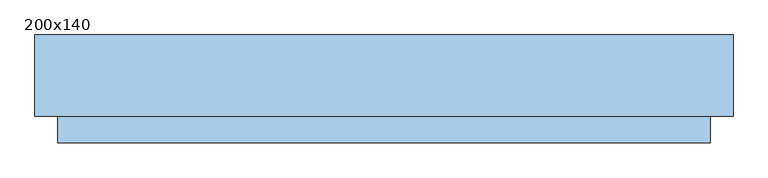
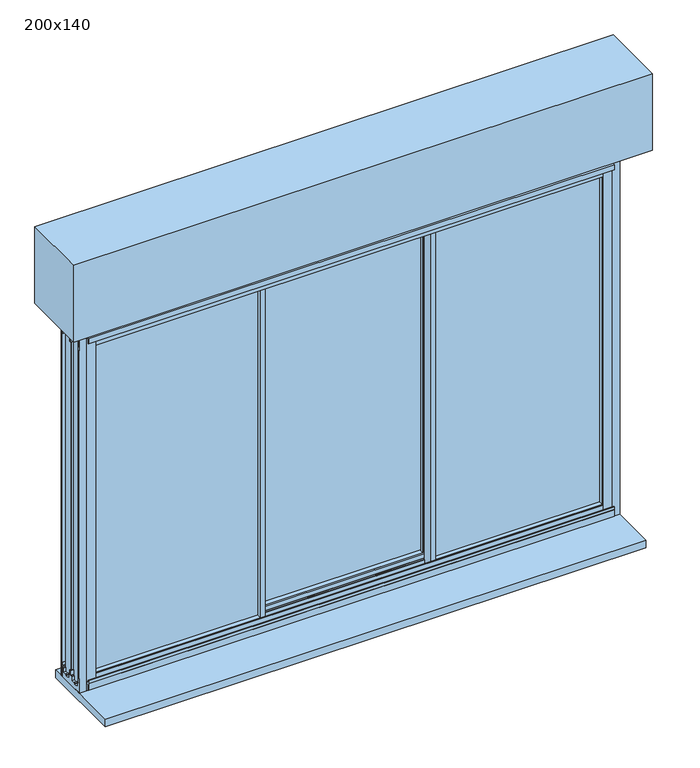
"""IFC4 building model written with IfcOpenShell, lengths in millimetres: window geometry, 200x140."""

from ifc_helpers import new_model, si_unit, frame, origin, place, context, project, spatial, polyline, outline, extrude, faceted_brep, source, transform, mapped, element, save


def window_200x140_58ab2d7b(model_context):
    return source(origin(), model_context, "Body", "SolidModel", [
        extrude(outline(polyline([(1421.5, 940.7), (1325.5, 940.7), (1325.5, 966.7), (1421.5, 966.7), (1421.5, 940.7)]), holes=[polyline([(1328.5, 963.7), (1328.5, 943.7), (1418.5, 943.7), (1418.5, 963.7), (1328.5, 963.7)])]), frame((0.0, 32.25, 0.0), z_axis=(0.0, 1.0, 0.0), x_axis=(0.0, 0.0, 1.0)), (0.0, 0.0, 1.0), 10.0),
        extrude(outline(polyline([(1421.5, -888.3), (1421.5, -914.3), (1325.5, -914.3), (1325.5, -888.3), (1421.5, -888.3)]), holes=[polyline([(1328.5, -911.3), (1418.5, -911.3), (1418.5, -891.3), (1328.5, -891.3), (1328.5, -911.3)])]), frame((0.0, 32.65, 0.0), z_axis=(0.0, 1.0, 0.0), x_axis=(0.0, 0.0, 1.0)), (0.0, 0.0, 1.0), 10.0),
        extrude(outline(polyline([(1096.2, -93.75), (-1043.8, -93.75), (-1043.8, 156.25), (1096.2, 156.25), (1096.2, -93.75)])), frame((0.0, 0.0, 2123.5), z_axis=(0.0, 0.0, 1.0), x_axis=(1.0, 0.0, 0.0)), (0.0, 0.0, 1.0), 300.0),
        extrude(outline(polyline([(-923.7, 20.25), (-923.7, 26.25), (-289.1333333, 26.25), (-289.1333333, 20.25), (-923.7, 20.25)])), frame((0.0, 0.0, 717.8), z_axis=(0.0, 0.0, 1.0), x_axis=(1.0, 0.0, 0.0)), (0.0, 0.0, 1.0), 1305.6),
        extrude(outline(polyline([(976.1, 20.25), (342.5333333, 20.25), (342.5333333, 26.25), (976.1, 26.25), (976.1, 20.25)])), frame((0.0, 0.0, 717.8), z_axis=(0.0, 0.0, 1.0), x_axis=(1.0, 0.0, 0.0)), (0.0, 0.0, 1.0), 1305.6),
        extrude(outline(polyline([(342.5333333, 75.05), (-290.1333333, 75.05), (-290.1333333, 81.05), (342.5333333, 81.05), (342.5333333, 75.05)])), frame((0.0, 0.0, 717.8), z_axis=(0.0, 0.0, 1.0), x_axis=(1.0, 0.0, 0.0)), (0.0, 0.0, 1.0), 1305.6),
        faceted_brep([(-281.1333333, 2.65, 697.1), (-299.1333333, 2.65, 697.1), (-299.1333333, 12.6000001, 697.1), (-944.2, 12.6000001, 697.1), (-944.2, 33.8999999, 697.1), (-299.1333333, 33.8999999, 697.1), (-299.1333333, 43.85, 697.1), (-284.9364704, 43.85, 697.1), (-284.9364704, 50.1440374, 697.1), (-288.2414696, 50.1440374, 697.1), (-292.4491159, 51.5636227, 697.1), (-292.4491159, 53.95, 697.1), (-283.1599431, 53.95, 697.1), (-283.1599431, 43.85, 697.1), (-281.1333333, 43.85, 697.1), (-288.9081444, 32.25, 697.1), (-290.1333333, 32.25, 697.1), (-290.1333333, 14.25, 697.1), (-288.9081444, 14.25, 697.1), (-281.1333333, 2.65, 2043.9), (-281.1333333, 43.85, 2043.9), (-283.1599431, 43.85, 2043.9), (-283.1599431, 53.95, 2043.9), (-292.4491159, 53.95, 2043.9), (-292.4491159, 51.5636227, 2043.9), (-288.2414696, 50.1440374, 2043.9), (-284.9364704, 50.1440374, 2043.9), (-284.9364704, 43.85, 2043.9), (-299.1333333, 43.85, 2043.9), (-299.1333333, 33.8999999, 2043.9), (-944.2, 33.8999999, 2043.9), (-944.2, 12.6000001, 2043.9), (-299.1333333, 12.6000001, 2043.9), (-299.1333333, 2.65, 2043.9), (-288.9081444, 14.25, 2043.9), (-290.1333333, 14.25, 2043.9), (-290.1333333, 32.25, 2043.9), (-288.9081444, 32.25, 2043.9), (-299.1333333, 2.65, 2031.9), (-932.2, 2.65, 2031.9), (-932.2, 2.65, 709.1), (-299.1333333, 2.65, 709.1), (-914.3, 2.65, 2014.0), (-299.1333333, 2.65, 2014.0), (-299.1333333, 2.65, 727.0), (-914.3, 2.65, 727.0), (-299.1333333, 6.95, 709.1), (-299.1333333, 6.95, 706.9), (-299.1333333, 12.6000001, 706.9), (-299.1333333, 12.6000001, 2034.1), (-299.1333333, 6.95, 2034.1), (-299.1333333, 6.95, 2031.9), (-299.1333333, 14.25, 2014.0), (-299.1333333, 14.25, 727.0), (-290.1333333, 14.25, 727.0), (-290.1333333, 14.25, 2014.0), (-290.1333333, 32.25, 2014.0), (-299.1333333, 32.25, 2014.0), (-299.1333333, 32.25, 727.0), (-290.1333333, 32.25, 727.0), (-299.1333333, 33.8999999, 706.9), (-299.1333333, 39.55, 706.9), (-299.1333333, 39.55, 709.1), (-299.1333333, 43.85, 709.1), (-299.1333333, 43.85, 2031.9), (-299.1333333, 39.55, 2031.9), (-299.1333333, 39.55, 2034.1), (-299.1333333, 33.8999999, 2034.1), (-299.1333333, 43.85, 2014.0), (-299.1333333, 43.85, 727.0), (-290.1333333, 20.25, 727.0), (-290.1333333, 26.25, 727.0), (-290.1333333, 26.25, 717.6), (-290.1333333, 20.25, 717.6), (-914.3, 20.25, 727.0), (-923.7, 20.25, 717.6), (-923.7, 20.25, 2023.4), (-290.1333333, 20.25, 2023.4), (-290.1333333, 20.25, 2014.0), (-914.3, 20.25, 2014.0), (-923.7, 26.25, 717.6), (-914.3, 26.25, 727.0), (-914.3, 26.25, 2014.0), (-290.1333333, 26.25, 2014.0), (-290.1333333, 26.25, 2023.4), (-923.7, 26.25, 2023.4), (-914.3, 43.85, 727.0), (-932.2, 43.85, 709.1), (-932.2, 39.55, 709.1), (-934.4, 39.55, 706.9), (-934.4, 39.55, 2034.1), (-932.2, 39.55, 2031.9), (-934.4, 33.8999999, 706.9), (-934.4, 33.8999999, 2034.1), (-934.4, 12.6000001, 706.9), (-934.4, 12.6000001, 2034.1), (-934.4, 6.95, 706.9), (-932.2, 6.95, 709.1), (-932.2, 6.95, 2031.9), (-934.4, 6.95, 2034.1), (-914.3, 43.85, 2014.0), (-932.2, 43.85, 2031.9)], [[[0, 1, 2, 3, 4, 5, 6, 7, 8, 9, 10, 11, 12, 13, 14], [15, 16, 17, 18]], [[19, 20, 21, 22, 23, 24, 25, 26, 27, 28, 29, 30, 31, 32, 33], [34, 35, 36, 37]], [[0, 19, 33, 38, 39, 40, 41, 1], [42, 43, 44, 45]], [[1, 41, 46, 47, 48, 2]], [[32, 49, 50, 51, 38, 33]], [[43, 52, 53, 44]], [[18, 17, 54, 53, 52, 55, 35, 34]], [[18, 34, 37, 15]], [[37, 36, 56, 57, 58, 59, 16, 15]], [[5, 60, 61, 62, 63, 6]], [[28, 64, 65, 66, 67, 29]], [[57, 68, 69, 58]], [[13, 21, 20, 14]], [[70, 54, 17, 16, 59, 71, 72, 73]], [[45, 44, 53, 54, 70, 74]], [[73, 75, 76, 77, 78, 79, 74, 70]], [[72, 80, 75, 73]], [[71, 81, 82, 83, 84, 85, 80, 72]], [[71, 59, 58, 69, 86, 81]], [[87, 63, 62, 88]], [[88, 62, 61, 89, 90, 66, 65, 91]], [[89, 61, 60, 92]], [[92, 60, 5, 4, 30, 29, 67, 93]], [[3, 2, 48, 94, 95, 49, 32, 31]], [[94, 48, 47, 96]], [[96, 47, 46, 97, 98, 51, 50, 99]], [[97, 46, 41, 40]], [[45, 74, 79, 42]], [[75, 80, 85, 76]], [[81, 86, 100, 82]], [[87, 88, 91, 101]], [[89, 92, 93, 90]], [[4, 3, 31, 30]], [[94, 96, 99, 95]], [[39, 98, 97, 40]], [[77, 84, 83, 56, 36, 35, 55, 78]], [[78, 55, 52, 43, 42, 79]], [[76, 85, 84, 77]], [[82, 100, 68, 57, 56, 83]], [[91, 65, 64, 101]], [[93, 67, 66, 90]], [[99, 50, 49, 95]], [[39, 38, 51, 98]], [[14, 20, 19, 0]], [[12, 22, 21, 13]], [[11, 23, 22, 12]], [[10, 24, 23, 11]], [[9, 25, 24, 10]], [[8, 26, 25, 9]], [[7, 27, 26, 8]], [[6, 63, 87, 101, 64, 28, 27, 7], [86, 69, 68, 100]]]),
        faceted_brep([(-299.1333333, 98.65, 697.1), (-281.1333333, 98.65, 697.1), (-281.1333333, 88.6999999, 697.1), (333.5333333, 88.6999999, 697.1), (333.5333333, 98.65, 697.1), (351.5333333, 98.65, 697.1), (351.5333333, 57.45, 697.1), (349.5915949, 57.45, 697.1), (349.5915949, 47.35, 697.1), (340.2175508, 47.35, 697.1), (340.2175508, 49.7071538, 697.1), (344.4251971, 51.1559626, 697.1), (347.8150676, 51.1559626, 697.1), (347.8150676, 57.45, 697.1), (333.5333333, 57.45, 697.1), (333.5333333, 67.4000001, 697.1), (-281.1333333, 67.4000001, 697.1), (-281.1333333, 57.45, 697.1), (-295.4150676, 57.45, 697.1), (-295.4150676, 51.1559626, 697.1), (-292.0251971, 51.1559626, 697.1), (-287.8175508, 49.7071538, 697.1), (-287.8175508, 47.35, 697.1), (-297.1915949, 47.35, 697.1), (-297.1915949, 57.45, 697.1), (-299.1333333, 57.45, 697.1), (-291.5067236, 87.05, 697.1), (-291.5067236, 69.05, 697.1), (-290.1333333, 69.05, 697.1), (-290.1333333, 87.05, 697.1), (343.9067236, 69.05, 697.1), (343.9067236, 87.05, 697.1), (342.5333333, 87.05, 697.1), (342.5333333, 69.05, 697.1), (-299.1333333, 98.65, 2043.9), (-299.1333333, 57.45, 2043.9), (-297.1915949, 57.45, 2043.9), (-297.1915949, 47.35, 2043.9), (-287.8175508, 47.35, 2043.9), (-287.8175508, 49.7071538, 2043.9), (-292.0251971, 51.1559626, 2043.9), (-295.4150676, 51.1559626, 2043.9), (-295.4150676, 57.45, 2043.9), (-281.1333333, 57.45, 2043.9), (-281.1333333, 67.4000001, 2043.9), (333.5333333, 67.4000001, 2043.9), (333.5333333, 57.45, 2043.9), (347.8150676, 57.45, 2043.9), (347.8150676, 51.1559626, 2043.9), (344.4251971, 51.1559626, 2043.9), (340.2175508, 49.7071538, 2043.9), (340.2175508, 47.35, 2043.9), (349.5915949, 47.35, 2043.9), (349.5915949, 57.45, 2043.9), (351.5333333, 57.45, 2043.9), (351.5333333, 98.65, 2043.9), (333.5333333, 98.65, 2043.9), (333.5333333, 88.6999999, 2043.9), (-281.1333333, 88.6999999, 2043.9), (-281.1333333, 98.65, 2043.9), (-291.5067236, 69.05, 2043.9), (-291.5067236, 87.05, 2043.9), (-290.1333333, 87.05, 2043.9), (-290.1333333, 69.05, 2043.9), (343.9067236, 87.05, 2043.9), (343.9067236, 69.05, 2043.9), (342.5333333, 69.05, 2043.9), (342.5333333, 87.05, 2043.9), (-281.1333333, 98.65, 2031.9), (333.5333333, 98.65, 2031.9), (333.5333333, 98.65, 709.1), (-281.1333333, 98.65, 709.1), (-281.1333333, 98.65, 2014.0), (-281.1333333, 98.65, 727.0), (333.5333333, 98.65, 727.0), (333.5333333, 98.65, 2014.0), (-281.1333333, 94.35, 709.1), (-281.1333333, 94.35, 706.9), (-281.1333333, 88.6999999, 706.9), (-281.1333333, 88.6999999, 2034.1), (-281.1333333, 94.35, 2034.1), (-281.1333333, 94.35, 2031.9), (-281.1333333, 87.05, 2014.0), (-281.1333333, 87.05, 727.0), (-290.1333333, 87.05, 727.0), (-290.1333333, 87.05, 2014.0), (-290.1333333, 69.05, 2014.0), (-281.1333333, 69.05, 2014.0), (-281.1333333, 69.05, 727.0), (-290.1333333, 69.05, 727.0), (-281.1333333, 57.45, 709.1), (333.5333333, 57.45, 709.1), (333.5333333, 57.45, 2031.9), (-281.1333333, 57.45, 2031.9), (-281.1333333, 57.45, 727.0), (-281.1333333, 57.45, 2014.0), (333.5333333, 57.45, 2014.0), (333.5333333, 57.45, 727.0), (-281.1333333, 61.75, 2031.9), (-281.1333333, 61.75, 2034.1), (-281.1333333, 67.4000001, 2034.1), (-281.1333333, 67.4000001, 706.9), (-281.1333333, 61.75, 706.9), (-281.1333333, 61.75, 709.1), (333.5333333, 94.35, 2031.9), (333.5333333, 94.35, 2034.1), (333.5333333, 88.6999999, 2034.1), (333.5333333, 88.6999999, 706.9), (333.5333333, 94.35, 706.9), (333.5333333, 94.35, 709.1), (333.5333333, 87.05, 727.0), (333.5333333, 87.05, 2014.0), (342.5333333, 87.05, 2014.0), (342.5333333, 87.05, 727.0), (342.5333333, 69.05, 727.0), (333.5333333, 69.05, 727.0), (333.5333333, 69.05, 2014.0), (342.5333333, 69.05, 2014.0), (333.5333333, 61.75, 709.1), (333.5333333, 61.75, 706.9), (333.5333333, 67.4000001, 706.9), (333.5333333, 67.4000001, 2034.1), (333.5333333, 61.75, 2034.1), (333.5333333, 61.75, 2031.9), (342.5333333, 82.05, 2014.0), (342.5333333, 74.05, 2014.0), (342.5333333, 74.05, 2023.4), (342.5333333, 82.05, 2023.4), (342.5333333, 74.05, 727.0), (342.5333333, 82.05, 727.0), (342.5333333, 82.05, 717.6), (342.5333333, 74.05, 717.6), (-290.1333333, 74.05, 2014.0), (-290.1333333, 82.05, 2014.0), (-290.1333333, 82.05, 2023.4), (-290.1333333, 74.05, 2023.4), (-290.1333333, 82.05, 727.0), (-290.1333333, 74.05, 727.0), (-290.1333333, 74.05, 717.6), (-290.1333333, 82.05, 717.6)], [[[0, 1, 2, 3, 4, 5, 6, 7, 8, 9, 10, 11, 12, 13, 14, 15, 16, 17, 18, 19, 20, 21, 22, 23, 24, 25], [26, 27, 28, 29], [30, 31, 32, 33]], [[34, 35, 36, 37, 38, 39, 40, 41, 42, 43, 44, 45, 46, 47, 48, 49, 50, 51, 52, 53, 54, 55, 56, 57, 58, 59], [60, 61, 62, 63], [64, 65, 66, 67]], [[0, 34, 59, 68, 69, 56, 55, 5, 4, 70, 71, 1], [72, 73, 74, 75]], [[1, 71, 76, 77, 78, 2]], [[58, 79, 80, 81, 68, 59]], [[72, 82, 83, 73]], [[26, 29, 84, 83, 82, 85, 62, 61]], [[26, 61, 60, 27]], [[60, 63, 86, 87, 88, 89, 28, 27]], [[18, 42, 41, 19]], [[19, 41, 40, 20]], [[20, 40, 39, 21]], [[21, 39, 38, 22]], [[22, 38, 37, 23]], [[23, 37, 36, 24]], [[24, 36, 35, 25]], [[25, 35, 34, 0]], [[17, 90, 91, 14, 13, 47, 46, 92, 93, 43, 42, 18], [94, 95, 96, 97]], [[43, 93, 98, 99, 100, 44]], [[16, 101, 102, 103, 90, 17]], [[87, 95, 94, 88]], [[56, 69, 104, 105, 106, 57]], [[3, 107, 108, 109, 70, 4]], [[74, 110, 111, 75]], [[64, 67, 112, 111, 110, 113, 32, 31]], [[30, 65, 64, 31]], [[30, 33, 114, 115, 116, 117, 66, 65]], [[14, 91, 118, 119, 120, 15]], [[45, 121, 122, 123, 92, 46]], [[115, 97, 96, 116]], [[12, 48, 47, 13]], [[11, 49, 48, 12]], [[10, 50, 49, 11]], [[9, 51, 50, 10]], [[8, 52, 51, 9]], [[7, 53, 52, 8]], [[6, 54, 53, 7]], [[5, 55, 54, 6]], [[124, 112, 67, 66, 117, 125, 126, 127]], [[128, 114, 33, 32, 113, 129, 130, 131]], [[132, 86, 63, 62, 85, 133, 134, 135]], [[136, 84, 29, 28, 89, 137, 138, 139]], [[133, 85, 82, 72, 75, 111, 112, 124]], [[127, 134, 133, 124]], [[126, 135, 134, 127]], [[125, 132, 135, 126]], [[125, 117, 116, 96, 95, 87, 86, 132]], [[92, 123, 98, 93]], [[123, 122, 99, 98]], [[122, 121, 100, 99]], [[44, 100, 121, 45]], [[57, 106, 79, 58]], [[106, 105, 80, 79]], [[105, 104, 81, 80]], [[68, 81, 104, 69]], [[70, 109, 76, 71]], [[109, 108, 77, 76]], [[108, 107, 78, 77]], [[2, 78, 107, 3]], [[15, 120, 101, 16]], [[120, 119, 102, 101]], [[119, 118, 103, 102]], [[90, 103, 118, 91]], [[137, 89, 88, 94, 97, 115, 114, 128]], [[131, 138, 137, 128]], [[130, 139, 138, 131]], [[129, 136, 139, 130]], [[129, 113, 110, 74, 73, 83, 84, 136]]]),
        faceted_brep([(333.5333333, 2.65, 697.1), (333.5333333, 43.85, 697.1), (335.5599431, 43.85, 697.1), (335.5599431, 53.95, 697.1), (344.8491159, 53.95, 697.1), (344.8491159, 51.5636227, 697.1), (340.6414696, 50.1440374, 697.1), (337.3364704, 50.1440374, 697.1), (337.3364704, 43.85, 697.1), (351.5333333, 43.85, 697.1), (351.5333333, 33.8999999, 697.1), (996.6, 33.8999999, 697.1), (996.6, 12.6000001, 697.1), (351.5333333, 12.6000001, 697.1), (351.5333333, 2.65, 697.1), (341.3081444, 14.25, 697.1), (342.5333333, 14.25, 697.1), (342.5333333, 32.25, 697.1), (341.3081444, 32.25, 697.1), (333.5333333, 2.65, 2043.9), (351.5333333, 2.65, 2043.9), (351.5333333, 12.6000001, 2043.9), (996.6, 12.6000001, 2043.9), (996.6, 33.8999999, 2043.9), (351.5333333, 33.8999999, 2043.9), (351.5333333, 43.85, 2043.9), (337.3364704, 43.85, 2043.9), (337.3364704, 50.1440374, 2043.9), (340.6414696, 50.1440374, 2043.9), (344.8491159, 51.5636227, 2043.9), (344.8491159, 53.95, 2043.9), (335.5599431, 53.95, 2043.9), (335.5599431, 43.85, 2043.9), (333.5333333, 43.85, 2043.9), (341.3081444, 32.25, 2043.9), (342.5333333, 32.25, 2043.9), (342.5333333, 14.25, 2043.9), (341.3081444, 14.25, 2043.9), (342.5333333, 27.25, 727.0), (342.5333333, 32.25, 727.0), (342.5333333, 14.25, 727.0), (342.5333333, 19.25, 727.0), (342.5333333, 19.25, 717.6), (342.5333333, 27.25, 717.6), (342.5333333, 19.25, 2014.0), (342.5333333, 14.25, 2014.0), (342.5333333, 32.25, 2014.0), (342.5333333, 27.25, 2014.0), (342.5333333, 27.25, 2023.4), (342.5333333, 19.25, 2023.4), (966.7, 43.85, 727.0), (351.5333333, 43.85, 727.0), (351.5333333, 32.25, 727.0), (966.7, 27.25, 727.0), (976.1, 27.25, 717.6), (976.1, 27.25, 2023.4), (966.7, 27.25, 2014.0), (976.1, 19.25, 717.6), (966.7, 19.25, 727.0), (966.7, 19.25, 2014.0), (976.1, 19.25, 2023.4), (351.5333333, 14.25, 727.0), (351.5333333, 2.65, 727.0), (966.7, 2.65, 727.0), (984.6, 2.65, 709.1), (351.5333333, 2.65, 709.1), (351.5333333, 6.95, 709.1), (984.6, 6.95, 709.1), (351.5333333, 6.95, 706.9), (986.8, 6.95, 706.9), (986.8, 6.95, 2034.1), (351.5333333, 6.95, 2034.1), (351.5333333, 6.95, 2031.9), (984.6, 6.95, 2031.9), (351.5333333, 12.6000001, 706.9), (986.8, 12.6000001, 706.9), (351.5333333, 12.6000001, 2034.1), (986.8, 12.6000001, 2034.1), (351.5333333, 33.8999999, 706.9), (986.8, 33.8999999, 706.9), (986.8, 33.8999999, 2034.1), (351.5333333, 33.8999999, 2034.1), (351.5333333, 39.55, 706.9), (986.8, 39.55, 706.9), (351.5333333, 39.55, 709.1), (984.6, 39.55, 709.1), (984.6, 39.55, 2031.9), (351.5333333, 39.55, 2031.9), (351.5333333, 39.55, 2034.1), (986.8, 39.55, 2034.1), (351.5333333, 43.85, 709.1), (984.6, 43.85, 709.1), (966.7, 43.85, 2014.0), (966.7, 2.65, 2014.0), (984.6, 2.65, 2031.9), (984.6, 43.85, 2031.9), (351.5333333, 32.25, 2014.0), (351.5333333, 43.85, 2014.0), (351.5333333, 2.65, 2014.0), (351.5333333, 14.25, 2014.0), (351.5333333, 2.65, 2031.9), (351.5333333, 43.85, 2031.9)], [[[0, 1, 2, 3, 4, 5, 6, 7, 8, 9, 10, 11, 12, 13, 14], [15, 16, 17, 18]], [[19, 20, 21, 22, 23, 24, 25, 26, 27, 28, 29, 30, 31, 32, 33], [34, 35, 36, 37]], [[38, 39, 17, 16, 40, 41, 42, 43]], [[44, 45, 36, 35, 46, 47, 48, 49]], [[50, 51, 52, 39, 38, 53]], [[43, 54, 55, 48, 47, 56, 53, 38]], [[42, 57, 54, 43]], [[41, 58, 59, 44, 49, 60, 57, 42]], [[41, 40, 61, 62, 63, 58]], [[64, 65, 66, 67]], [[67, 66, 68, 69, 70, 71, 72, 73]], [[69, 68, 74, 75]], [[75, 74, 13, 12, 22, 21, 76, 77]], [[11, 10, 78, 79, 80, 81, 24, 23]], [[79, 78, 82, 83]], [[83, 82, 84, 85, 86, 87, 88, 89]], [[85, 84, 90, 91]], [[50, 53, 56, 92]], [[54, 57, 60, 55]], [[58, 63, 93, 59]], [[64, 67, 73, 94]], [[69, 75, 77, 70]], [[12, 11, 23, 22]], [[79, 83, 89, 80]], [[95, 86, 85, 91]], [[47, 46, 96, 97, 92, 56]], [[48, 55, 60, 49]], [[59, 93, 98, 99, 45, 44]], [[73, 72, 100, 94]], [[77, 76, 71, 70]], [[89, 88, 81, 80]], [[95, 101, 87, 86]], [[14, 65, 64, 94, 100, 20, 19, 0], [63, 62, 98, 93]], [[62, 61, 99, 98]], [[13, 74, 68, 66, 65, 14]], [[20, 100, 72, 71, 76, 21]], [[37, 36, 45, 99, 61, 40, 16, 15]], [[18, 34, 37, 15]], [[18, 17, 39, 52, 96, 46, 35, 34]], [[52, 51, 97, 96]], [[24, 81, 88, 87, 101, 25]], [[9, 90, 84, 82, 78, 10]], [[8, 26, 25, 101, 95, 91, 90, 9], [92, 97, 51, 50]], [[7, 27, 26, 8]], [[6, 28, 27, 7]], [[5, 29, 28, 6]], [[4, 30, 29, 5]], [[3, 31, 30, 4]], [[2, 32, 31, 3]], [[1, 33, 32, 2]], [[0, 19, 33, 1]]]),
        extrude(outline(polyline([(-19.55, 2056.5), (-4.95, 2056.5), (-4.95, 2055.0), (-17.55, 2055.0), (-17.55, 2037.5), (-19.55, 2037.5), (-19.55, 2056.5)])), frame((-946.45, 0.0, 0.0), z_axis=(1.0, 0.0, 0.0), x_axis=(0.0, 1.0, 0.0)), (0.0, 0.0, 1.0), 1945.3),
        extrude(outline(polyline([(-19.55, 682.9), (-19.55, 708.9), (-16.65, 708.9), (-16.05, 709.5), (-19.55, 709.5), (-19.55, 720.6), (-17.55, 720.6), (-17.55, 711.0), (-13.95, 711.0), (-13.95, 708.6), (-4.95, 708.6), (-4.95, 704.1), (-18.35, 704.1), (-18.35, 682.9), (-19.55, 682.9)])), frame((-946.45, 0.0, 0.0), z_axis=(1.0, 0.0, 0.0), x_axis=(0.0, 1.0, 0.0)), (0.0, 0.0, 1.0), 1945.3),
        extrude(outline(polyline([(-0.85, 729.0), (-0.85, 711.8), (0.0941191, 711.8), (1.55, 707.8), (4.3, 707.8), (4.3, 692.6), (21.0, 692.6), (21.0, 696.5731379), (25.5, 696.5731379), (25.5, 692.6), (42.2, 692.6), (42.2, 707.8), (44.9, 707.8), (46.3558809, 711.8), (47.35, 711.8), (47.35, 729.0), (53.95, 729.0), (53.95, 711.8), (54.9441191, 711.8), (56.4, 707.8), (59.1, 707.8), (59.1, 692.6), (75.8, 692.6), (75.8, 696.5731379), (80.3, 696.5731379), (80.3, 692.6), (97.0, 692.6), (97.0, 707.8), (99.75, 707.8), (101.2058809, 711.8), (104.75, 711.8), (104.75, 717.8), (102.15, 717.8), (102.15, 729.0), (106.25, 729.0), (106.25, 673.5), (15.05, 673.5), (15.05, 676.5), (-4.95, 676.5), (-4.95, 729.0), (-0.85, 729.0)])), frame((-973.8, 0.0, 0.0), z_axis=(1.0, 0.0, 0.0), x_axis=(0.0, 1.0, 0.0)), (0.0, 0.0, 1.0), 2000.0),
        extrude(outline(polyline([(-0.85, 2012.0), (-4.95, 2012.0), (-4.95, 2073.5), (106.25, 2073.5), (106.25, 2012.0), (102.15, 2012.0), (102.15, 2026.5), (104.75, 2026.5), (104.75, 2055.0), (51.4, 2055.0), (51.4, 2024.7), (53.95, 2024.7), (53.95, 2012.0), (47.35, 2012.0), (47.35, 2024.7), (49.9, 2024.7), (49.9, 2055.0), (-3.45, 2055.0), (-3.45, 2026.5), (-0.85, 2026.5), (-0.85, 2012.0)])), frame((-973.8, 0.0, 0.0), z_axis=(1.0, 0.0, 0.0), x_axis=(0.0, 1.0, 0.0)), (0.0, 0.0, 1.0), 2000.0),
        extrude(outline(polyline([(-960.95, -5.3), (-924.65, -5.3), (-924.65, -0.85), (-913.45, -0.85), (-913.45, -6.8), (-946.5952323, -6.8), (-973.8, -6.8), (-973.8, -0.5850342), (-962.75, -0.5850342), (-962.75, 49.9), (-969.028222, 49.9), (-969.028222, 51.425037), (-962.75, 51.425037), (-962.75, 101.8850342), (-973.8, 101.8850342), (-973.8, 108.1), (-913.45, 108.1), (-913.45, 47.35), (-924.65, 47.35), (-924.65, 49.9), (-960.95, 49.9), (-960.95, 22.7303848), (-960.95, -5.3)])), frame((0.0, 0.0, 673.5), z_axis=(0.0, 0.0, 1.0), x_axis=(1.0, 0.0, 0.0)), (0.0, 0.0, 1.0), 1400.0),
        extrude(outline(polyline([(1013.35, -5.3), (1013.35, 22.7303848), (1013.35, 49.9), (977.05, 49.9), (977.05, 47.35), (965.85, 47.35), (965.85, 108.1), (1026.2, 108.1), (1026.2, 101.8850342), (1015.15, 101.8850342), (1015.15, 51.425037), (1021.428222, 51.425037), (1021.428222, 49.9), (1015.15, 49.9), (1015.15, -0.5850342), (1026.2, -0.5850342), (1026.2, -6.8), (998.9952323, -6.8), (965.85, -6.8), (965.85, -0.85), (977.05, -0.85), (977.05, -5.3), (1013.35, -5.3)])), frame((0.0, 0.0, 673.5), z_axis=(0.0, 0.0, 1.0), x_axis=(1.0, 0.0, 0.0)), (0.0, 0.0, 1.0), 1400.0),
        extrude(outline(polyline([(1026.2, -173.75), (-973.8, -173.75), (-973.8, 143.25), (1026.2, 143.25), (1026.2, -173.75)])), frame((0.0, 0.0, 643.5), z_axis=(0.0, 0.0, 1.0), x_axis=(1.0, 0.0, 0.0)), (0.0, 0.0, 1.0), 30.0),
        faceted_brep([(965.85, 106.25, 729.0), (965.85, 106.25, 2012.0), (965.85, 126.4, 2012.0), (965.85, 126.4, 729.0), (1016.5502862, 110.5, 678.2997138), (1016.5502862, 110.5, 2062.7002862), (1016.5502862, 106.25, 2062.7002862), (1016.5502862, 106.25, 678.2997138), (1021.35, 114.1, 673.5), (1021.35, 114.1, 2067.5), (1021.35, 110.5, 2067.5), (1021.35, 110.5, 673.5), (986.35, 117.0431112, 708.5), (986.35, 117.0431112, 2032.5), (986.35, 114.1, 2032.5), (986.35, 114.1, 708.5), (986.95, 117.9, 707.9), (986.95, 117.9, 2033.1), (986.95, 126.4, 707.9), (986.95, 126.4, 2033.1), (-913.45, 106.25, 2012.0), (-913.45, 126.4, 2012.0), (-964.1502862, 110.5, 2062.7002862), (-964.1502862, 106.25, 2062.7002862), (-968.95, 114.1, 2067.5), (-968.95, 110.5, 2067.5), (-933.95, 117.0431112, 2032.5), (-933.95, 114.1, 2032.5), (-934.55, 117.9, 2033.1), (-934.55, 126.4, 2033.1), (-913.45, 106.25, 729.0), (-913.45, 126.4, 729.0), (-964.1502862, 110.5, 678.2997138), (-964.1502862, 106.25, 678.2997138), (-968.95, 114.1, 673.5), (-968.95, 110.5, 673.5), (-933.95, 117.0431112, 708.5), (-933.95, 114.1, 708.5), (-934.55, 117.9, 707.9), (-934.55, 126.4, 707.9)], [[[0, 1, 2, 3]], [[4, 5, 6, 7]], [[8, 9, 10, 11]], [[12, 13, 14, 15]], [[16, 17, 13, 12]], [[18, 19, 17, 16]], [[1, 20, 21, 2]], [[5, 22, 23, 6]], [[9, 24, 25, 10]], [[13, 26, 27, 14]], [[17, 28, 26, 13]], [[19, 29, 28, 17]], [[20, 30, 31, 21]], [[22, 32, 33, 23]], [[24, 34, 35, 25]], [[26, 36, 37, 27]], [[28, 38, 36, 26]], [[29, 39, 38, 28]], [[19, 18, 39, 29], [3, 2, 21, 31]], [[30, 0, 3, 31]], [[7, 6, 23, 33], [1, 0, 30, 20]], [[32, 4, 7, 33]], [[11, 10, 25, 35], [5, 4, 32, 22]], [[34, 8, 11, 35]], [[9, 8, 34, 24], [15, 14, 27, 37]], [[36, 12, 15, 37]], [[38, 16, 12, 36]], [[39, 18, 16, 38]]]),
    ])


if __name__ == "__main__":
    model = new_model("IFC4")
    model_context = context("Model", 3, world=origin())
    ifc_project = project(units=[si_unit("LENGTHUNIT", "METRE", prefix="MILLI")], contexts=[model_context])
    site = spatial("IfcSite", under=ifc_project)
    building = spatial("IfcBuilding", under=site)
    placement = place(None, origin())
    window_200x140_shape = window_200x140_58ab2d7b(model_context)
    element("IfcWindow", 1, ObjectType="200x140", at=placement, inside=building, context=model_context, shape_type="MappedRepresentation", body=[
        mapped(window_200x140_shape, transform((0.0, 0.0, 0.0), x_axis=(1.0, 0.0, 0.0), y_axis=(0.0, 1.0, 0.0), z_axis=(0.0, 0.0, 1.0))),
    ])
    save(model, "model.ifc")
